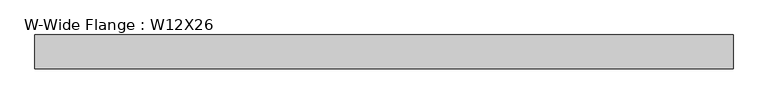
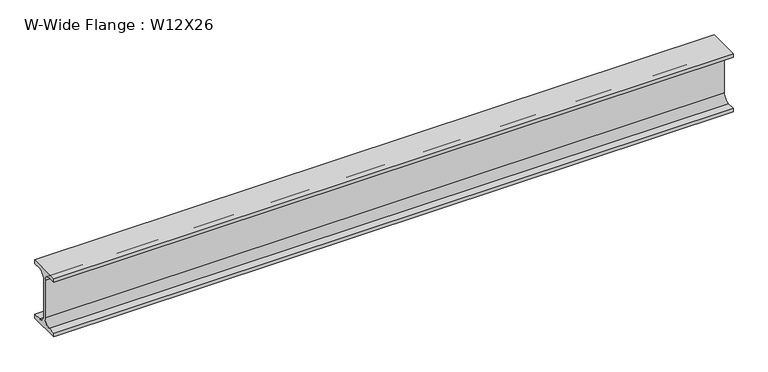
"""IFC4 building model written with IfcOpenShell, lengths in millimetres: beam geometry, W-Wide Flange : W12X26."""

from ifc_helpers import new_model, si_unit, point, frame, frame_2d, origin, place, context, project, spatial, polyline, circle_curve, trimmed, segment, composite_curve, outline, extrude, source, transform, mapped, element, save


def w_wide_flange_w12x26_9c52c242(model_context):
    return source(origin(), model_context, "Body", "SweptSolid", [
        extrude(outline(composite_curve([segment(polyline([(40.0, -65.3757813), (40.0, -75.0), (-40.0, -75.0), (-40.0, -65.3757813), (-20.2902344, -65.3757813)]), True, "CONTINUOUS"), segment(trimmed(circle_curve(frame_2d((-20.2902344, -48.0125)), 17.3632812), [point((-20.2902344, -65.3757813))], [point((-2.9269531, -48.0125))], True, "CARTESIAN"), True, "CONTINUOUS"), segment(polyline([(-2.9269531, -48.0125), (-2.9269531, 48.0125)]), True, "CONTINUOUS"), segment(trimmed(circle_curve(frame_2d((-20.2902344, 48.0125)), 17.3632812), [point((-2.9269531, 48.0125))], [point((-20.2902344, 65.3757812))], True, "CARTESIAN"), True, "CONTINUOUS"), segment(polyline([(-20.2902344, 65.3757812), (-40.0, 65.3757812), (-40.0, 75.0), (40.0, 75.0), (40.0, 65.3757812), (20.2902344, 65.3757812)]), True, "CONTINUOUS"), segment(trimmed(circle_curve(frame_2d((20.2902344, 48.0125)), 17.3632812), [point((20.2902344, 65.3757812))], [point((2.9269531, 48.0125))], True, "CARTESIAN"), True, "CONTINUOUS"), segment(polyline([(2.9269531, 48.0125), (2.9269531, -48.0125)]), True, "CONTINUOUS"), segment(trimmed(circle_curve(frame_2d((20.2902344, -48.0125)), 17.3632812), [point((2.9269531, -48.0125))], [point((20.2902344, -65.3757813))], True, "CARTESIAN"), True, "CONTINUOUS"), segment(polyline([(20.2902344, -65.3757813), (40.0, -65.3757813)]), True, "CONTINUOUS")], self_intersect=False)), frame((-823.8343628, 0.0, 0.0), z_axis=(1.0, 0.0, 0.0), x_axis=(0.0, 1.0, 0.0)), (0.0, 0.0, 1.0), 1656.5344051),
    ])


if __name__ == "__main__":
    model = new_model("IFC4")
    model_context = context("Model", 3, world=origin())
    ifc_project = project(units=[si_unit("LENGTHUNIT", "METRE", prefix="MILLI")], contexts=[model_context])
    site = spatial("IfcSite", under=ifc_project)
    building = spatial("IfcBuilding", under=site)
    placement = place(None, origin())
    w_wide_flange_w12x26_shape = w_wide_flange_w12x26_9c52c242(model_context)
    element("IfcBeam", 1, ObjectType="W-Wide Flange : W12X26", at=placement, inside=building, context=model_context, shape_type="MappedRepresentation", body=[
        mapped(w_wide_flange_w12x26_shape, transform((0.0, 0.0, 0.0), x_axis=(1.0, 0.0, 0.0), y_axis=(0.0, 1.0, 0.0), z_axis=(0.0, 0.0, 1.0))),
    ])
    save(model, "model.ifc")
